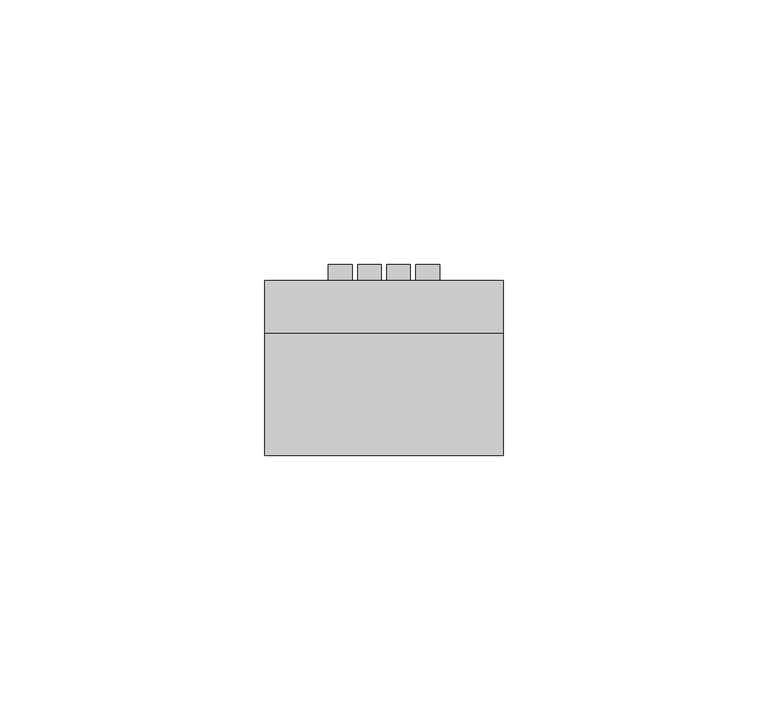
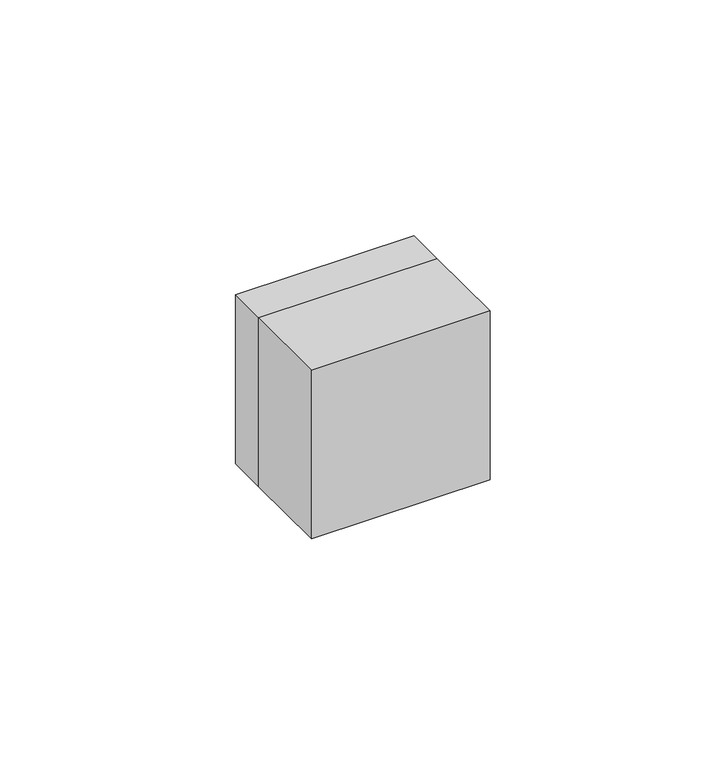
"""IFC4 building model written with IfcOpenShell, lengths in millimetres: electric appliance geometry."""

from ifc_helpers import new_model, si_unit, frame, origin, place, context, project, spatial, polyline, outline, extrude, faceted_brep, source, transform, mapped, element, save


def electric_appliance_333eaaad(model_context):
    return source(origin(), model_context, "Body", "SolidModel", [
        extrude(outline(polyline([(-6.0, 10.0), (-10.5, 10.0), (-10.5, 13.0), (-6.0, 13.0), (-6.0, 10.0)])), frame((0.0, 0.0, -5.0), z_axis=(0.0, 0.0, 1.0), x_axis=(1.0, 0.0, 0.0)), (0.0, 0.0, 1.0), 10.0),
        extrude(outline(polyline([(-0.5, 10.0), (-5.0, 10.0), (-5.0, 13.0), (-0.5, 13.0), (-0.5, 10.0)])), frame((0.0, 0.0, -5.0), z_axis=(0.0, 0.0, 1.0), x_axis=(1.0, 0.0, 0.0)), (0.0, 0.0, 1.0), 10.0),
        extrude(outline(polyline([(22.5, -23.0), (-22.5, -23.0), (-22.5, 0.0), (22.5, 0.0), (22.5, -23.0)])), frame((0.0, 0.0, -22.5), z_axis=(0.0, 0.0, 1.0), x_axis=(1.0, 0.0, 0.0)), (0.0, 0.0, 1.0), 45.0),
        faceted_brep([(22.5, 10.0, 22.5), (22.5, 10.0, -22.5), (-22.5, 10.0, -22.5), (-22.5, 10.0, 22.5), (11.5, 10.0, 6.0), (-11.5, 10.0, 6.0), (-11.5, 10.0, -6.0), (11.5, 10.0, -6.0), (11.0, 10.0, -5.5), (-11.0, 10.0, -5.5), (-11.0, 10.0, 5.5), (11.0, 10.0, 5.5), (22.5, 0.0, 22.5), (-22.5, 0.0, 22.5), (-22.5, 0.0, -22.5), (22.5, 0.0, -22.5), (-11.5, 9.0, 6.0), (11.5, 9.0, 6.0), (11.5, 9.0, -6.0), (-11.5, 9.0, -6.0), (11.0, 9.0, 5.5), (-11.0, 9.0, 5.5), (-11.0, 9.0, -5.5), (11.0, 9.0, -5.5)], [[[0, 1, 2, 3], [4, 5, 6, 7]], [[8, 9, 10, 11]], [[12, 13, 14, 15]], [[0, 3, 13, 12]], [[3, 2, 14, 13]], [[2, 1, 15, 14]], [[1, 0, 12, 15]], [[16, 17, 18, 19], [20, 21, 22, 23]], [[17, 16, 5, 4]], [[19, 18, 7, 6]], [[23, 22, 9, 8]], [[21, 20, 11, 10]], [[16, 19, 6, 5]], [[18, 17, 4, 7]], [[20, 23, 8, 11]], [[22, 21, 10, 9]]]),
        extrude(outline(polyline([(5.0, 10.0), (0.5, 10.0), (0.5, 13.0), (5.0, 13.0), (5.0, 10.0)])), frame((0.0, 0.0, -5.0), z_axis=(0.0, 0.0, 1.0), x_axis=(1.0, 0.0, 0.0)), (0.0, 0.0, 1.0), 10.0),
        extrude(outline(polyline([(10.5, 10.0), (6.0, 10.0), (6.0, 13.0), (10.5, 13.0), (10.5, 10.0)])), frame((0.0, 0.0, -5.0), z_axis=(0.0, 0.0, 1.0), x_axis=(1.0, 0.0, 0.0)), (0.0, 0.0, 1.0), 10.0),
    ])


if __name__ == "__main__":
    model = new_model("IFC4")
    model_context = context("Model", 3, world=origin())
    ifc_project = project(units=[si_unit("LENGTHUNIT", "METRE", prefix="MILLI")], contexts=[model_context])
    site = spatial("IfcSite", under=ifc_project)
    building = spatial("IfcBuilding", under=site)
    placement = place(None, origin())
    electric_appliance_shape = electric_appliance_333eaaad(model_context)
    element("IfcElectricAppliance", 1, at=placement, inside=building, context=model_context, shape_type="MappedRepresentation", body=[
        mapped(electric_appliance_shape, transform((0.0, 0.0, 0.0), x_axis=(1.0, 0.0, 0.0), y_axis=(0.0, 1.0, 0.0), z_axis=(0.0, 0.0, 1.0))),
    ])
    save(model, "model.ifc")
